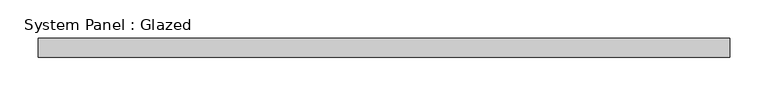
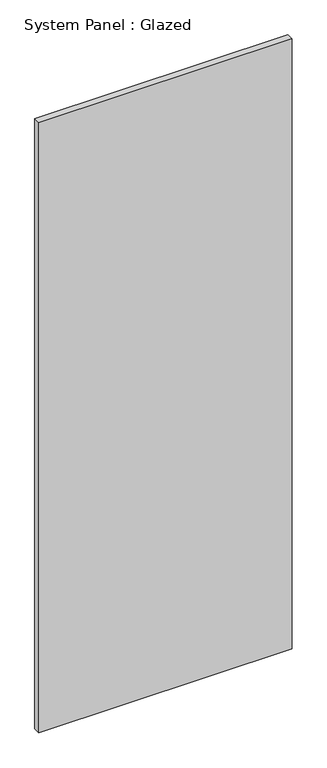
"""IFC4 building model written with IfcOpenShell, lengths in millimetres: plate geometry, System Panel : Glazed."""

from ifc_helpers import new_model, si_unit, origin, origin_with_axes, place, context, project, spatial, polyline, outline, extrude, source, transform, mapped, element, save


def system_panel_glazed_ff78d98a(model_context):
    return source(origin(), model_context, "Body", "SweptSolid", [
        extrude(outline(polyline([(451.6666667, -49.5), (-451.6666667, -49.5), (-451.6666667, -24.5), (451.6666667, -24.5), (451.6666667, -49.5)])), origin_with_axes(), (0.0, 0.0, 1.0), 2300.0),
    ])


if __name__ == "__main__":
    model = new_model("IFC4")
    model_context = context("Model", 3, world=origin())
    ifc_project = project(units=[si_unit("LENGTHUNIT", "METRE", prefix="MILLI")], contexts=[model_context])
    site = spatial("IfcSite", under=ifc_project)
    building = spatial("IfcBuilding", under=site)
    placement = place(None, origin())
    system_panel_glazed_shape = system_panel_glazed_ff78d98a(model_context)
    element("IfcPlate", 1, ObjectType="System Panel : Glazed", at=placement, inside=building, context=model_context, shape_type="MappedRepresentation", body=[
        mapped(system_panel_glazed_shape, transform((0.0, 0.0, 0.0), x_axis=(1.0, 0.0, 0.0), y_axis=(0.0, 1.0, 0.0), z_axis=(0.0, 0.0, 1.0))),
    ])
    save(model, "model.ifc")
